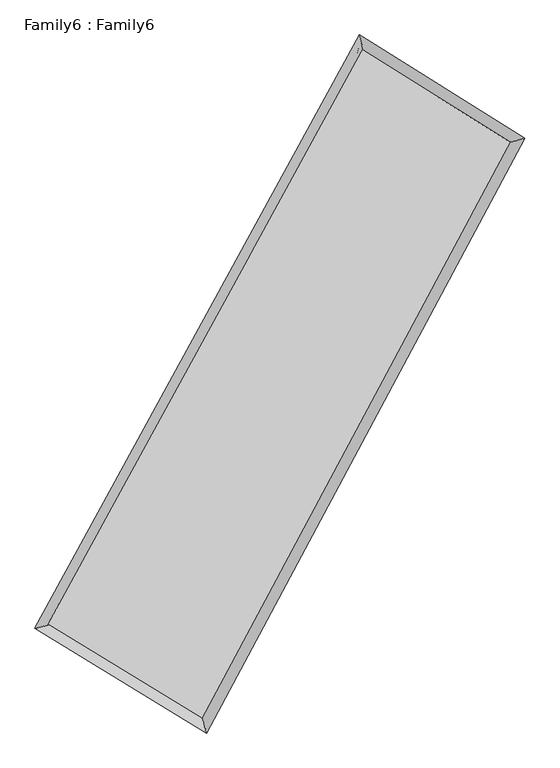
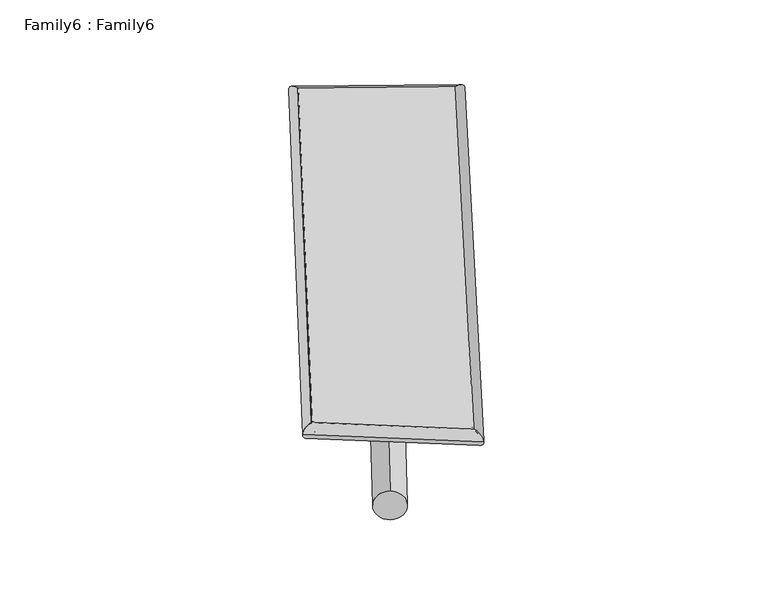
"""IFC4 building model written with IfcOpenShell, lengths in millimetres: plate geometry, Family6 : Family6."""

from ifc_helpers import new_model, si_unit, point, frame, origin, origin_2d, place, context, project, spatial, circle_curve, ellipse_curve, trimmed, segment, composite_curve, outline, extrude, source, transform, mapped, element, save
from ifc_brep_helpers import plane_surface, cylinder_surface, spline_surface, advanced_brep


def family6_family6_3e7409c9(model_context):
    return source(origin(), model_context, "Body", "SolidModel", [
        extrude(outline(composite_curve([segment(trimmed(circle_curve(origin_2d(), 76.2), [point((-75.4341514, -10.7763074))], [point((75.4341514, 10.7763074))], False, "CARTESIAN"), True, "CONTINUOUS"), segment(trimmed(circle_curve(origin_2d(), 76.2), [point((75.4341514, 10.7763074))], [point((-75.4341514, -10.7763074))], False, "CARTESIAN"), True, "CONTINUOUS")], self_intersect=False)), frame((9144.0, 9144.0, 0.0), z_axis=(0.661247414034837, 0.6932131485018919, 0.2867183080592084), x_axis=(-0.6861318276185621, 0.7133996042900309, -0.1424223287537425)), (0.0, 0.0, 1.0), 5482.3240507),
        extrude(outline(composite_curve([segment(trimmed(circle_curve(origin_2d(), 76.2), [point((-53.8815367, 53.8815367))], [point((53.8815367, -53.8815367))], False, "CARTESIAN"), True, "CONTINUOUS"), segment(trimmed(circle_curve(origin_2d(), 76.2), [point((53.8815367, -53.8815367))], [point((-53.8815367, 53.8815367))], False, "CARTESIAN"), True, "CONTINUOUS")], self_intersect=False)), frame((9144.0, 9144.0, 0.0), z_axis=(-0.6671172524853366, -0.6881451897048081, 0.2853257249575464), x_axis=(0.6498854260628207, -0.35037914068507264, 0.6744504361062688)), (0.0, 0.0, 1.0), 5505.7465751),
        extrude(outline(composite_curve([segment(trimmed(circle_curve(origin_2d(), 76.2), [point((-53.8815368, -53.8815367))], [point((53.8815368, 53.8815367))], False, "CARTESIAN"), True, "CONTINUOUS"), segment(trimmed(circle_curve(origin_2d(), 76.2), [point((53.8815368, 53.8815367))], [point((-53.8815368, -53.8815367))], False, "CARTESIAN"), True, "CONTINUOUS")], self_intersect=False)), frame((9144.0, 9144.0, 0.0), z_axis=(0.22827857518140657, 0.9376105542036172, 0.26225053052211933), x_axis=(-0.8463583787034789, 0.3242468473307053, -0.4225416864576998)), (0.0, 0.0, 1.0), 5614.6840528),
        extrude(outline(composite_curve([segment(trimmed(circle_curve(origin_2d(), 76.2), [point((-75.4341514, 10.7763073))], [point((75.4341514, -10.7763073))], False, "CARTESIAN"), True, "CONTINUOUS"), segment(trimmed(circle_curve(origin_2d(), 76.2), [point((75.4341514, -10.7763073))], [point((-75.4341514, 10.7763073))], False, "CARTESIAN"), True, "CONTINUOUS")], self_intersect=False)), frame((9144.0, 9144.0, 0.0), z_axis=(-0.2207810852717751, -0.9393257122290202, 0.26253174804518664), x_axis=(0.8946621788876312, -0.08786176766950525, 0.4380181451150468)), (0.0, 0.0, 1.0), 5613.1116883),
        advanced_brep(
        [(5267.934221, 5301.1254808, 1563.9165588), (5267.6747587, 5300.7823163, 1579.4873416), (5674.1087228, 5409.3684764, 1577.9457072), (10481.7216897, 14193.7703626, 1482.3916965), (10369.7024616, 14623.0036902, 1462.5160466), (5674.3681851, 5409.7116409, 1562.3749243), (12567.4932887, 12890.7816179, 1570.8872245), (12970.8519141, 12998.0566147, 1572.8781276), (7846.5111014, 4085.3968513, 1475.5224774), (7962.951118, 3657.5228798, 1471.7175696)],
        [
            (0, 1, ellipse_curve(frame((5471.0214719, 5355.2469786, 1570.931133), z_axis=(-0.25801742778498965, 0.9659908622904475, 0.016990024443036177), x_axis=(-0.9655085855340477, -0.258444666312946, 0.03161527659901684)), 210.6959245, 152.4)),
            (1, 2, ellipse_curve(frame((5471.0214719, 5355.2469786, 1570.931133), z_axis=(-0.25801742778498965, 0.9659908622904475, 0.016990024443036177), x_axis=(-0.9655085855340477, -0.258444666312946, 0.03161527659901684)), 210.6959245, 152.4)),
            (2, 3),
            (3, 4, ellipse_curve(frame((10425.7120757, 14408.3870264, 1472.4538716), z_axis=(-0.9671949778142738, -0.25330505202909526, -0.019246441421303634), x_axis=(0.25264540875792113, -0.9670531151691695, 0.031282101514250274)), 222.0500442, 152.4)),
            (4, 0),
            (2, 5, ellipse_curve(frame((5471.0214719, 5355.2469786, 1570.931133), z_axis=(-0.25801742778498965, 0.9659908622904475, 0.016990024443036177), x_axis=(-0.9655085855340477, -0.258444666312946, 0.03161527659901684)), 210.6959245, 152.4)),
            (5, 0, ellipse_curve(frame((5471.0214719, 5355.2469786, 1570.931133), z_axis=(-0.25801742778498965, 0.9659908622904475, 0.016990024443036177), x_axis=(-0.9655085855340477, -0.258444666312946, 0.03161527659901684)), 210.6959245, 152.4)),
            (4, 3, ellipse_curve(frame((10425.7120757, 14408.3870264, 1472.4538716), z_axis=(-0.9671949778142738, -0.25330505202909526, -0.019246441421303634), x_axis=(0.25264540875792113, -0.9670531151691695, 0.031282101514250274)), 222.0500442, 152.4)),
            (3, 6),
            (6, 7, ellipse_curve(frame((12769.1726014, 12944.4191163, 1571.882676), z_axis=(-0.256894464924676, 0.9662700821474259, -0.01809315444778077), x_axis=(-0.9657376306248194, -0.2573762698454003, -0.033290907401686894)), 208.7668206, 152.4)),
            (7, 4),
            (7, 6, ellipse_curve(frame((12769.1726014, 12944.4191163, 1571.882676), z_axis=(-0.256894464924676, 0.9662700821474259, -0.01809315444778077), x_axis=(-0.9657376306248194, -0.2573762698454003, -0.033290907401686894)), 208.7668206, 152.4)),
            (6, 8),
            (8, 9, ellipse_curve(frame((7904.7311097, 3871.4598655, 1473.6200235), z_axis=(0.9647138541253236, 0.26269262440564495, -0.01788196693706598), x_axis=(-0.26209736132478634, 0.9645734340936245, 0.03005101375023643)), 221.7827103, 152.4)),
            (9, 7),
            (9, 8, ellipse_curve(frame((7904.7311097, 3871.4598655, 1473.6200235), z_axis=(0.9647138541253236, 0.26269262440564495, -0.01788196693706598), x_axis=(-0.26209736132478634, 0.9645734340936245, 0.03005101375023643)), 221.7827103, 152.4)),
            (8, 5),
            (1, 9),
        ],
        [
            cylinder_surface(frame((5471.0214719, 5355.2469786, 1570.931133), z_axis=(-0.480070517318542, -0.87717800639756, 0.009541671442139403), x_axis=(-0.8761376159191872, 0.47890176469198364, -0.0550997073163462)), 152.4),
            cylinder_surface(frame((10425.7120757, 14408.3870264, 1472.4538716), z_axis=(-0.8475627661059335, 0.5294753966369325, -0.03596055988193118), x_axis=(0.5304504401422536, 0.8472823589846942, -0.027109679198054654)), 152.4),
            cylinder_surface(frame((12769.1726014, 12944.4191163, 1571.882676), z_axis=(0.4724963035955631, 0.8812809684210053, 0.0095445160937839), x_axis=(0.8813293916969507, -0.4724963035955631, -0.0023971690829925783)), 152.4),
            cylinder_surface(frame((7904.7311097, 3871.4598655, 1473.6200235), z_axis=(0.8533274379609963, -0.5202577316555476, -0.03412002748455493), x_axis=(-0.5197288727279122, -0.8540059821941802, 0.02357289183632926)), 152.4),
        ],
        [
            (0, [[1, 2, 3, 4, 5]]),
            (0, [[6, 7, -5, 8, -3]]),
            (1, [[-4, 9, 10, 11]]),
            (1, [[-8, -11, 12, -9]]),
            (2, [[-10, 13, 14, 15]]),
            (2, [[-12, -15, 16, -13]]),
            (3, [[-14, 17, -6, -2, 18]]),
            (3, [[-16, -18, -1, -7, -17]]),
        ],
    ),
        extrude(outline(composite_curve([segment(trimmed(circle_curve(origin_2d(), 304.8), [point((-1e-07, -304.7999999))], [point((0.0, 304.8))], False, "CARTESIAN"), True, "CONTINUOUS"), segment(trimmed(circle_curve(origin_2d(), 304.8), [point((0.0, 304.8))], [point((-1e-07, -304.7999999))], False, "CARTESIAN"), True, "CONTINUOUS")], self_intersect=False)), frame((6634.2317635, 4625.0075793, -0.0813173), z_axis=(0.4855271608814639, 0.8742215827803118, 1.573122852660765e-05), x_axis=(-0.8742215829123514, 0.4855271608814639, 4.075259187001152e-06)), (0.0, 0.0, 1.0), 10338.3227084),
        advanced_brep(
        [(5471.0214719, 5355.2469786, 1570.931133), (7904.7311097, 3871.4598655, 1473.6200235), (7904.7569956, 3871.4501008, 1626.020021), (5471.0473578, 5355.2372139, 1723.3311305), (12769.1726014, 12944.4191163, 1571.882676), (12769.1984873, 12944.4093516, 1724.2826735), (10425.7120757, 14408.3870264, 1472.4538716), (10425.7379616, 14408.3772617, 1624.853869)],
        [
            (0, 1),
            (1, 2),
            (2, 3),
            (3, 0),
            (1, 4),
            (4, 5),
            (5, 2),
            (4, 6),
            (6, 7),
            (7, 5),
            (6, 0),
            (3, 7),
        ],
        [
            plane_surface(frame((6687.8762908, 4613.3534221, 1522.2755782), z_axis=(-0.5205598491800039, -0.8538251825081938, 3.371263291345773e-05), x_axis=(0.8533274379609962, -0.5202577316555476, -0.03412002748455489))),
            plane_surface(frame((10336.9518556, 8407.9394909, 1522.7513498), z_axis=(0.8813219099674514, -0.47251630513794096, -0.00017997253140550297), x_axis=(0.47249630359556305, 0.8812809684210055, 0.00954451609378391))),
            plane_surface(frame((11597.4423385, 13676.4030713, 1522.1682738), z_axis=(0.5298191654121958, 0.8481106358788891, -3.565152283378781e-05), x_axis=(-0.8475627661059334, 0.5294753966369327, -0.03596055988193117))),
            plane_surface(frame((7948.3667738, 9881.8170025, 1521.6925023), z_axis=(-0.8772171021241769, 0.48009386939108817, 0.0001797608258937919), x_axis=(-0.4800705173185425, -0.8771780063975598, 0.009541671442139391))),
            spline_surface(1, 1, [[(7904.7569956, 3871.4501008, 1626.020021), (5471.0473578, 5355.2372139, 1723.3311305)], [(12769.1984873, 12944.4093516, 1724.2826735), (10425.7379616, 14408.3772617, 1624.853869)]], [2, 2], [2, 2], [0.0, 1.0], [0.0, 1.0]),
            spline_surface(1, 1, [[(10425.7120757, 14408.3870264, 1472.4538716), (5471.0214719, 5355.2469786, 1570.931133)], [(12769.1726014, 12944.4191163, 1571.882676), (7904.7311097, 3871.4598655, 1473.6200235)]], [2, 2], [2, 2], [0.0, 1.0], [0.0, 1.0]),
        ],
        [
            (0, [[1, 2, 3, 4]]),
            (1, [[5, 6, 7, -2]]),
            (2, [[8, 9, 10, -6]]),
            (3, [[11, -4, 12, -9]]),
            (4, [[-3, -7, -10, -12]]),
            (5, [[-11, -8, -5, -1]]),
        ],
    ),
    ])


if __name__ == "__main__":
    model = new_model("IFC4")
    model_context = context("Model", 3, world=origin())
    ifc_project = project(units=[si_unit("LENGTHUNIT", "METRE", prefix="MILLI")], contexts=[model_context])
    site = spatial("IfcSite", under=ifc_project)
    building = spatial("IfcBuilding", under=site)
    placement = place(None, origin())
    family6_family6_shape = family6_family6_3e7409c9(model_context)
    element("IfcPlate", 1, ObjectType="Family6 : Family6", at=placement, inside=building, context=model_context, shape_type="MappedRepresentation", body=[
        mapped(family6_family6_shape, transform((0.0, 0.0, 0.0), x_axis=(1.0, 0.0, 0.0), y_axis=(0.0, 1.0, 0.0), z_axis=(0.0, 0.0, 1.0))),
    ])
    save(model, "model.ifc")
